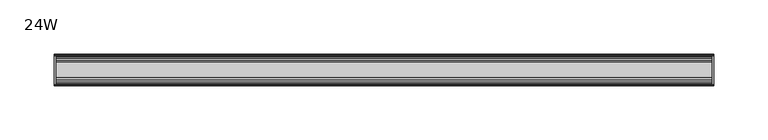
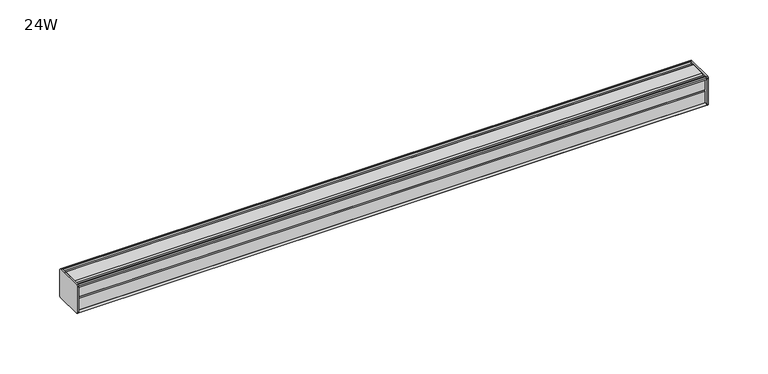
"""IFC4 building model written with IfcOpenShell, lengths in millimetres: furniture geometry, 24W."""

from ifc_helpers import new_model, si_unit, frame, origin, place, context, project, spatial, circle_curve, source, transform, mapped, element, save
from ifc_brep_helpers import plane_surface, cylinder_surface, advanced_brep


def furniture_24w_4f007022(model_context):
    return source(origin(), model_context, "Body", "AdvancedBrep", [
        advanced_brep(
        [(303.2125, 14.5851562, 1196.1436262), (303.2125, 14.5851562, 1169.9932877), (303.2125, 14.4138595, 1169.1873997), (303.2125, 13.8374434, 1168.6109837), (303.2125, 12.9019306, 1168.3603131), (303.2125, -13.4067434, 1168.3603131), (303.2125, -14.3040014, 1169.2575711), (303.2125, -14.5851563, 1170.0259798), (303.2125, -14.5851563, 1195.9443327), (303.2125, -14.3040014, 1196.7127414), (303.2125, -13.4464303, 1197.5703125), (303.2125, 13.0500437, 1197.5703125), (303.2125, 13.8374434, 1197.3593288), (303.2125, 14.4138595, 1196.7829128), (304.8, 14.6248431, 1195.9955131), (304.8, 14.4138595, 1196.7829128), (304.8, 13.8374434, 1197.3593288), (304.8, 13.0500437, 1197.5703125), (304.8, -13.4464303, 1197.5703125), (304.8, -14.3040014, 1196.7127414), (304.8, -14.5851563, 1195.9443327), (304.8, -14.5851563, 1170.0259798), (304.8, -14.3040014, 1169.2575711), (304.8, -13.4067434, 1168.3603131), (304.8, 12.9019306, 1168.3603131), (304.8, 13.8374434, 1168.6109837), (304.8, 14.4138595, 1169.1873997), (304.8, 14.5851562, 1169.9932877)],
        [
            (0, 1),
            (1, 2),
            (2, 3),
            (3, 4),
            (4, 5),
            (5, 6),
            (6, 7, circle_curve(frame((303.2125, -13.3945313, 1170.0259798), z_axis=(-1.0, 0.0, 0.0), x_axis=(0.0, 1.0, 0.0)), 1.190625)),
            (7, 8),
            (8, 9, circle_curve(frame((303.2125, -13.3945313, 1195.9443327), z_axis=(-1.0, 0.0, 0.0), x_axis=(0.0, 1.0, 0.0)), 1.190625)),
            (9, 10),
            (10, 11),
            (11, 12),
            (12, 13),
            (13, 0),
            (14, 15),
            (15, 16),
            (16, 17),
            (17, 18),
            (18, 19),
            (19, 20, circle_curve(frame((304.8, -13.3945313, 1195.9443327), z_axis=(1.0, 0.0, 0.0), x_axis=(0.0, 1.0, 0.0)), 1.190625)),
            (20, 21),
            (21, 22, circle_curve(frame((304.8, -13.3945313, 1170.0259798), z_axis=(1.0, 0.0, 0.0), x_axis=(0.0, 1.0, 0.0)), 1.190625)),
            (22, 23),
            (23, 24),
            (24, 25),
            (25, 26),
            (26, 27),
            (27, 14),
            (13, 15),
            (14, 0),
            (12, 16),
            (11, 17),
            (10, 18),
            (9, 19),
            (8, 20),
            (7, 21),
            (6, 22),
            (5, 23),
            (4, 24),
            (3, 25),
            (2, 26),
            (1, 27),
        ],
        [
            plane_surface(frame((303.2125, 14.5851562, 1169.9932877), z_axis=(-1.0, 0.0, 0.0), x_axis=(0.0, 0.0, -1.0))),
            plane_surface(frame((304.8, 14.5851562, 1169.9932877), z_axis=(1.0, 0.0, 0.0), x_axis=(0.0, 0.0, 1.0))),
            plane_surface(frame((303.2125, 14.4138595, 1196.7829128), z_axis=(0.0, 0.9659256560349851, 0.25881968049857335), x_axis=(1.0, 0.0, 0.0))),
            plane_surface(frame((303.2125, 13.8374434, 1197.3593288), z_axis=(0.0, 0.7071067811866345, 0.7071067811864606), x_axis=(1.0, 0.0, 0.0))),
            plane_surface(frame((303.2125, 13.0500437, 1197.5703125), z_axis=(0.0, 0.2588196804711877, 0.9659256560423232), x_axis=(1.0, 0.0, 0.0))),
            plane_surface(frame((303.2125, -13.4464303, 1197.5703125), z_axis=(0.0, 0.0, 1.0), x_axis=(1.0, 0.0, 0.0))),
            plane_surface(frame((303.2125, -14.3040014, 1196.7127414), z_axis=(0.0, -0.70710678117674, 0.7071067811963553), x_axis=(1.0, 0.0, 0.0))),
            cylinder_surface(frame((304.8, -13.3945313, 1195.9443327), z_axis=(-1.0, 0.0, 0.0), x_axis=(0.0, 1.0, 0.0)), 1.190625),
            plane_surface(frame((303.2125, -14.5851563, 1170.0259798), z_axis=(0.0, -1.0, 0.0), x_axis=(1.0, 0.0, 0.0))),
            cylinder_surface(frame((304.8, -13.3945313, 1170.0259798), z_axis=(-1.0, 0.0, 0.0), x_axis=(0.0, 1.0, 0.0)), 1.190625),
            plane_surface(frame((303.2125, -13.4067434, 1168.3603131), z_axis=(0.0, -0.7071067811917087, -0.7071067811813864), x_axis=(1.0, 0.0, 0.0))),
            plane_surface(frame((303.2125, 12.9019306, 1168.3603131), z_axis=(0.0, 0.0, -1.0), x_axis=(1.0, 0.0, 0.0))),
            plane_surface(frame((303.2125, 13.8374434, 1168.6109837), z_axis=(0.0, 0.2588196804985645, -0.9659256560349875), x_axis=(1.0, 0.0, 0.0))),
            plane_surface(frame((303.2125, 14.4138595, 1169.1873997), z_axis=(0.0, 0.7071067811865204, -0.7071067811865748), x_axis=(1.0, 0.0, 0.0))),
            plane_surface(frame((303.2125, 14.5851562, 1169.9932877), z_axis=(0.0, 0.9781476007310527, -0.207911690830711), x_axis=(1.0, 0.0, 0.0))),
            plane_surface(frame((303.2125, 14.5851562, 1196.1436262), z_axis=(0.0, 1.0, 0.0), x_axis=(1.0, 0.0, 0.0))),
        ],
        [
            (0, [[1, 2, 3, 4, 5, 6, 7, 8, 9, 10, 11, 12, 13, 14]]),
            (1, [[15, 16, 17, 18, 19, 20, 21, 22, 23, 24, 25, 26, 27, 28]]),
            (2, [[-14, 29, -15, 30]]),
            (3, [[-13, 31, -16, -29]]),
            (4, [[-12, 32, -17, -31]]),
            (5, [[-11, 33, -18, -32]]),
            (6, [[-10, 34, -19, -33]]),
            (7, [[-9, 35, -20, -34]]),
            (8, [[-8, 36, -21, -35]]),
            (9, [[-7, 37, -22, -36]]),
            (10, [[-6, 38, -23, -37]]),
            (11, [[-5, 39, -24, -38]]),
            (12, [[-4, 40, -25, -39]]),
            (13, [[-3, 41, -26, -40]]),
            (14, [[-2, 42, -27, -41]]),
            (15, [[-1, -30, -28, -42]]),
        ],
    ),
        advanced_brep(
        [(-303.2125, 14.6248431, 1195.9955131), (-303.2125, 14.4138595, 1196.7829128), (-303.2125, 13.8374434, 1197.3593288), (-303.2125, 13.0500437, 1197.5703125), (-303.2125, -13.4464303, 1197.5703125), (-303.2125, -14.3040014, 1196.7127414), (-303.2125, -14.5851563, 1195.9443327), (-303.2125, -14.5851563, 1170.0259798), (-303.2125, -14.3040014, 1169.2575711), (-303.2125, -13.4067434, 1168.3603131), (-303.2125, 12.9019306, 1168.3603131), (-303.2125, 13.8374434, 1168.6109837), (-303.2125, 14.4138595, 1169.1873997), (-303.2125, 14.5851562, 1169.9932877), (-304.8, 14.5851562, 1196.1436262), (-304.8, 14.5851562, 1169.9932877), (-304.8, 14.4138595, 1169.1873997), (-304.8, 13.8374434, 1168.6109837), (-304.8, 12.9019306, 1168.3603131), (-304.8, -13.4067434, 1168.3603131), (-304.8, -14.3040014, 1169.2575711), (-304.8, -14.5851563, 1170.0259798), (-304.8, -14.5851563, 1195.9443327), (-304.8, -14.3040014, 1196.7127414), (-304.8, -13.4464303, 1197.5703125), (-304.8, 13.0500437, 1197.5703125), (-304.8, 13.8374434, 1197.3593288), (-304.8, 14.4138595, 1196.7829128)],
        [
            (0, 1),
            (1, 2),
            (2, 3),
            (3, 4),
            (4, 5),
            (5, 6, circle_curve(frame((-303.2125, -13.3945313, 1195.9443327), z_axis=(1.0, 0.0, 0.0), x_axis=(0.0, 1.0, 0.0)), 1.190625)),
            (6, 7),
            (7, 8, circle_curve(frame((-303.2125, -13.3945313, 1170.0259798), z_axis=(1.0, 0.0, 0.0), x_axis=(0.0, 1.0, 0.0)), 1.190625)),
            (8, 9),
            (9, 10),
            (10, 11),
            (11, 12),
            (12, 13),
            (13, 0),
            (14, 15),
            (15, 16),
            (16, 17),
            (17, 18),
            (18, 19),
            (19, 20),
            (20, 21, circle_curve(frame((-304.8, -13.3945313, 1170.0259798), z_axis=(-1.0, 0.0, 0.0), x_axis=(0.0, 1.0, 0.0)), 1.190625)),
            (21, 22),
            (22, 23, circle_curve(frame((-304.8, -13.3945313, 1195.9443327), z_axis=(-1.0, 0.0, 0.0), x_axis=(0.0, 1.0, 0.0)), 1.190625)),
            (23, 24),
            (24, 25),
            (25, 26),
            (26, 27),
            (27, 14),
            (0, 14),
            (27, 1),
            (26, 2),
            (25, 3),
            (24, 4),
            (23, 5),
            (22, 6),
            (21, 7),
            (20, 8),
            (19, 9),
            (18, 10),
            (17, 11),
            (16, 12),
            (15, 13),
        ],
        [
            plane_surface(frame((-303.2125, 14.6248431, 1195.9955131), z_axis=(1.0000000000000002, 0.0, 0.0), x_axis=(0.0, -0.25881968043900594, 0.9659256560509463))),
            plane_surface(frame((-304.8, 14.6248431, 1195.9955131), z_axis=(-1.0000000000000002, 0.0, 0.0), x_axis=(0.0, 0.25881968043900594, -0.9659256560509463))),
            plane_surface(frame((-303.2125, 14.6248431, 1195.9955131), z_axis=(0.0, 0.9659256560509463, 0.25881968043900594), x_axis=(-1.0, 0.0, 0.0))),
            plane_surface(frame((-303.2125, 14.4138595, 1196.7829128), z_axis=(0.0, 0.7071067810675442, 0.7071067813055509), x_axis=(-1.0, 0.0, 0.0))),
            plane_surface(frame((-303.2125, 13.8374434, 1197.3593288), z_axis=(0.0, 0.25881968048355775, 0.9659256560390086), x_axis=(-1.0, 0.0, 0.0))),
            plane_surface(frame((-303.2125, 13.0500437, 1197.5703125), z_axis=(0.0, 0.0, 1.0), x_axis=(-1.0, 0.0, 0.0))),
            plane_surface(frame((-303.2125, -13.4464303, 1197.5703125), z_axis=(0.0, -0.7071067811880228, 0.7071067811850722), x_axis=(-1.0, 0.0, 0.0))),
            cylinder_surface(frame((-304.8, -13.3945313, 1195.9443327), z_axis=(1.0, 0.0, 0.0), x_axis=(0.0, 1.0, 0.0)), 1.190625),
            plane_surface(frame((-303.2125, -14.5851563, 1195.9443327), z_axis=(0.0, -1.0, 0.0), x_axis=(-1.0, 0.0, 0.0))),
            cylinder_surface(frame((-304.8, -13.3945313, 1170.0259798), z_axis=(1.0, 0.0, 0.0), x_axis=(0.0, 1.0, 0.0)), 1.190625),
            plane_surface(frame((-303.2125, -14.3040014, 1169.2575711), z_axis=(0.0, -0.7071067811864808, -0.7071067811866142), x_axis=(-1.0, 0.0, 0.0))),
            plane_surface(frame((-303.2125, -13.4067434, 1168.3603131), z_axis=(0.0, 0.0, -1.0), x_axis=(-1.0, 0.0, 0.0))),
            plane_surface(frame((-303.2125, 12.9019306, 1168.3603131), z_axis=(0.0, 0.25881968049856513, -0.9659256560349874), x_axis=(-1.0, 0.0, 0.0))),
            plane_surface(frame((-303.2125, 13.8374434, 1168.6109837), z_axis=(0.0, 0.707106781186519, -0.7071067811865761), x_axis=(-1.0, 0.0, 0.0))),
            plane_surface(frame((-303.2125, 14.4138595, 1169.1873997), z_axis=(0.0, 0.9781476007314348, -0.20791169082891317), x_axis=(-1.0, 0.0, 0.0))),
            plane_surface(frame((-303.2125, 14.5851562, 1169.9932877), z_axis=(0.0, 1.0, 0.0), x_axis=(-1.0, 0.0, 0.0))),
        ],
        [
            (0, [[1, 2, 3, 4, 5, 6, 7, 8, 9, 10, 11, 12, 13, 14]]),
            (1, [[15, 16, 17, 18, 19, 20, 21, 22, 23, 24, 25, 26, 27, 28]]),
            (2, [[-1, 29, -28, 30]]),
            (3, [[-2, -30, -27, 31]]),
            (4, [[-3, -31, -26, 32]]),
            (5, [[-4, -32, -25, 33]]),
            (6, [[-5, -33, -24, 34]]),
            (7, [[-6, -34, -23, 35]]),
            (8, [[-7, -35, -22, 36]]),
            (9, [[-8, -36, -21, 37]]),
            (10, [[-9, -37, -20, 38]]),
            (11, [[-10, -38, -19, 39]]),
            (12, [[-11, -39, -18, 40]]),
            (13, [[-12, -40, -17, 41]]),
            (14, [[-13, -41, -16, 42]]),
            (15, [[-14, -42, -15, -29]]),
        ],
    ),
        advanced_brep(
        [(303.2125, -7.3748315, 1197.5703125), (303.2125, -8.9105708, 1196.5395796), (303.2125, -10.7601399, 1196.5395796), (303.2125, -12.2958792, 1197.5703125), (303.2125, -13.4464303, 1197.5703125), (303.2125, -14.3040014, 1196.7127414), (303.2125, -13.3945313, 1194.7537077), (303.2125, -13.3945313, 1195.665312), (303.2125, -12.2039063, 1195.665312), (303.2125, -12.2039063, 1183.7590632), (303.2125, -11.4101564, 1182.9653134), (303.2125, -12.2039063, 1182.1715636), (303.2125, -12.2039063, 1170.2653131), (303.2125, -13.3945313, 1170.2653131), (303.2125, -13.3945313, 1171.2166048), (303.2125, -14.3040014, 1169.2575711), (303.2125, -13.4067434, 1168.3603131), (303.2125, -12.2958792, 1168.3603131), (303.2125, -10.7601399, 1169.3910471), (303.2125, -8.9105708, 1169.3910471), (303.2125, -7.4339628, 1168.4), (303.2125, 7.4145184, 1168.4), (303.2125, 8.9502576, 1169.4307329), (303.2125, 10.7998291, 1169.4307329), (303.2125, 12.2275037, 1168.4), (303.2125, 13.0500437, 1168.4), (303.2125, 13.8374434, 1168.6109837), (303.2125, 14.4138595, 1169.1873997), (303.2125, 14.5851562, 1169.9932877), (303.2125, 14.5851562, 1196.1436262), (303.2125, 14.4138595, 1196.7829128), (303.2125, 13.8374434, 1197.3593288), (303.2125, 13.0500437, 1197.5703125), (303.2125, 12.2275037, 1197.5703125), (303.2125, 10.7998291, 1196.5395796), (303.2125, 8.9502576, 1196.5395796), (303.2125, 7.4145184, 1197.5703125), (-303.2125, -7.3748315, 1197.5703125), (-303.2125, 7.4145184, 1197.5703125), (-303.2125, 8.9502576, 1196.5395796), (-303.2125, 10.7998291, 1196.5395796), (-303.2125, 12.2275037, 1197.5703125), (-303.2125, 13.0500437, 1197.5703125), (-303.2125, 13.8374434, 1197.3593288), (-303.2125, 14.4138595, 1196.7829128), (-303.2125, 14.6248431, 1195.9955131), (-303.2125, 14.5851562, 1169.9932877), (-303.2125, 14.4138595, 1169.1873997), (-303.2125, 13.8374434, 1168.6109837), (-303.2125, 13.0500437, 1168.4), (-303.2125, 12.2275037, 1168.4), (-303.2125, 10.7998291, 1169.4307329), (-303.2125, 8.9502576, 1169.4307329), (-303.2125, 7.4145184, 1168.4), (-303.2125, -7.4339628, 1168.4), (-303.2125, -8.9105708, 1169.3910471), (-303.2125, -10.7601399, 1169.3910471), (-303.2125, -12.2958792, 1168.3603131), (-303.2125, -13.4067434, 1168.3603131), (-303.2125, -14.3040014, 1169.2575711), (-303.2125, -13.3945313, 1171.2166048), (-303.2125, -13.3945313, 1170.2653131), (-303.2125, -12.2039063, 1170.2653131), (-303.2125, -12.2039063, 1182.1715636), (-303.2125, -11.4101564, 1182.9653134), (-303.2125, -12.2039063, 1183.7590632), (-303.2125, -12.2039063, 1195.665312), (-303.2125, -13.3945313, 1195.665312), (-303.2125, -13.3945313, 1194.7537077), (-303.2125, -14.3040014, 1196.7127414), (-303.2125, -13.4464303, 1197.5703125), (-303.2125, -12.2958792, 1197.5703125), (-303.2125, -10.7601399, 1196.5395796), (-303.2125, -8.9105708, 1196.5395796)],
        [
            (0, 1),
            (1, 2),
            (2, 3),
            (3, 4),
            (4, 5),
            (5, 6, circle_curve(frame((303.2125, -13.3945313, 1195.9443327), z_axis=(1.0, 0.0, 0.0), x_axis=(0.0, 1.0, 0.0)), 1.190625)),
            (6, 7),
            (7, 8),
            (8, 9),
            (9, 10),
            (10, 11),
            (11, 12),
            (12, 13),
            (13, 14),
            (14, 15, circle_curve(frame((303.2125, -13.3945313, 1170.0259798), z_axis=(1.0, 0.0, 0.0), x_axis=(0.0, 1.0, 0.0)), 1.190625)),
            (15, 16),
            (16, 17),
            (17, 18),
            (18, 19),
            (19, 20),
            (20, 21),
            (21, 22),
            (22, 23),
            (23, 24),
            (24, 25),
            (25, 26),
            (26, 27),
            (27, 28),
            (28, 29),
            (29, 30),
            (30, 31),
            (31, 32),
            (32, 33),
            (33, 34),
            (34, 35),
            (35, 36),
            (36, 0),
            (37, 38),
            (38, 39),
            (39, 40),
            (40, 41),
            (41, 42),
            (42, 43),
            (43, 44),
            (44, 45),
            (45, 46),
            (46, 47),
            (47, 48),
            (48, 49),
            (49, 50),
            (50, 51),
            (51, 52),
            (52, 53),
            (53, 54),
            (54, 55),
            (55, 56),
            (56, 57),
            (57, 58),
            (58, 59),
            (59, 60, circle_curve(frame((-303.2125, -13.3945313, 1170.0259798), z_axis=(-1.0, 0.0, 0.0), x_axis=(0.0, 1.0, 0.0)), 1.190625)),
            (60, 61),
            (61, 62),
            (62, 63),
            (63, 64),
            (64, 65),
            (65, 66),
            (66, 67),
            (67, 68),
            (68, 69, circle_curve(frame((-303.2125, -13.3945313, 1195.9443327), z_axis=(-1.0, 0.0, 0.0), x_axis=(0.0, 1.0, 0.0)), 1.190625)),
            (69, 70),
            (70, 71),
            (71, 72),
            (72, 73),
            (73, 37),
            (0, 37),
            (73, 1),
            (72, 2),
            (71, 3),
            (70, 4),
            (69, 5),
            (68, 6),
            (67, 7),
            (66, 8),
            (65, 9),
            (64, 10),
            (63, 11),
            (62, 12),
            (61, 13),
            (60, 14),
            (59, 15),
            (58, 16),
            (57, 17),
            (56, 18),
            (55, 19),
            (54, 20),
            (53, 21),
            (52, 22),
            (51, 23),
            (50, 24),
            (49, 25),
            (48, 26),
            (47, 27),
            (46, 28),
            (45, 29),
            (44, 30),
            (43, 31),
            (42, 32),
            (41, 33),
            (40, 34),
            (39, 35),
            (38, 36),
        ],
        [
            plane_surface(frame((303.2125, -7.3748315, 1197.5703125), z_axis=(1.0, 0.0, 0.0), x_axis=(0.0, -0.8303227972604666, -0.5572827400427488))),
            plane_surface(frame((-303.2125, -7.3748315, 1197.5703125), z_axis=(-1.0, 0.0, 0.0), x_axis=(0.0, 0.8303227972604666, 0.5572827400427488))),
            plane_surface(frame((303.2125, -7.3748315, 1197.5703125), z_axis=(0.0, -0.5572827400427488, 0.8303227972604666), x_axis=(-1.0, 0.0, 0.0))),
            plane_surface(frame((303.2125, -8.9105708, 1196.5395796), z_axis=(0.0, 0.0, 1.0), x_axis=(-1.0, 0.0, 0.0))),
            plane_surface(frame((303.2125, -10.7601399, 1196.5395796), z_axis=(0.0, 0.5572827400427491, 0.8303227972604665), x_axis=(-1.0, 0.0, 0.0))),
            plane_surface(frame((303.2125, -12.2958792, 1197.5703125), z_axis=(0.0, 0.0, 1.0), x_axis=(-1.0, 0.0, 0.0))),
            plane_surface(frame((303.2125, -13.4464303, 1197.5703125), z_axis=(0.0, -0.7071067811810978, 0.7071067811919972), x_axis=(-1.0, 0.0, 0.0))),
            cylinder_surface(frame((-303.2125, -13.3945313, 1195.9443327), z_axis=(1.0, 0.0, 0.0), x_axis=(0.0, 1.0, 0.0)), 1.190625),
            plane_surface(frame((303.2125, -13.3945313, 1194.7537077), z_axis=(0.0, 1.0, 0.0), x_axis=(-1.0, 0.0, 0.0))),
            plane_surface(frame((303.2125, -13.3945313, 1195.665312), z_axis=(0.0, 0.0, -1.0), x_axis=(-1.0, 0.0, 0.0))),
            plane_surface(frame((303.2125, -12.2039063, 1195.665312), z_axis=(0.0, -1.0, 0.0), x_axis=(-1.0, 0.0, 0.0))),
            plane_surface(frame((303.2125, -12.2039063, 1183.7590632), z_axis=(0.0, -0.7071067811865155, -0.7071067811865795), x_axis=(-1.0, 0.0, 0.0))),
            plane_surface(frame((303.2125, -11.4101564, 1182.9653134), z_axis=(0.0, -0.7071067811865522, 0.7071067811865428), x_axis=(-1.0, 0.0, 0.0))),
            plane_surface(frame((303.2125, -12.2039063, 1182.1715636), z_axis=(0.0, -1.0, 0.0), x_axis=(-1.0, 0.0, 0.0))),
            plane_surface(frame((303.2125, -12.2039063, 1170.2653131), z_axis=(0.0, 0.0, 1.0), x_axis=(-1.0, 0.0, 0.0))),
            plane_surface(frame((303.2125, -13.3945313, 1170.2653131), z_axis=(0.0, 1.0, 0.0), x_axis=(-1.0, 0.0, 0.0))),
            cylinder_surface(frame((-303.2125, -13.3945313, 1170.0259798), z_axis=(1.0, 0.0, 0.0), x_axis=(0.0, 1.0, 0.0)), 1.190625),
            plane_surface(frame((303.2125, -14.3040014, 1169.2575711), z_axis=(0.0, -0.7071067811865892, -0.7071067811865058), x_axis=(-1.0, 0.0, 0.0))),
            plane_surface(frame((303.2125, -13.4067434, 1168.3603131), z_axis=(0.0, 0.0, -1.0), x_axis=(-1.0, 0.0, 0.0))),
            plane_surface(frame((303.2125, -12.2958792, 1168.3603131), z_axis=(0.0, 0.5572831632988446, -0.8303225131860712), x_axis=(-1.0, 0.0, 0.0))),
            plane_surface(frame((303.2125, -10.7601399, 1169.3910471), z_axis=(0.0, 0.0, -1.0), x_axis=(-1.0, 0.0, 0.0))),
            plane_surface(frame((303.2125, -8.9105708, 1169.3910471), z_axis=(0.0, -0.5572831633038827, -0.8303225131826898), x_axis=(-1.0, 0.0, 0.0))),
            plane_surface(frame((303.2125, -7.4339628, 1168.4), z_axis=(0.0, 0.0, -1.0), x_axis=(-1.0, 0.0, 0.0))),
            plane_surface(frame((303.2125, 7.4145184, 1168.4), z_axis=(0.0, 0.5572827400524372, -0.8303227972539643), x_axis=(-1.0, 0.0, 0.0))),
            plane_surface(frame((303.2125, 8.9502576, 1169.4307329), z_axis=(0.0, 0.0, -1.0), x_axis=(-1.0, 0.0, 0.0))),
            plane_surface(frame((303.2125, 10.7998291, 1169.4307329), z_axis=(0.0, -0.5853541342124147, -0.8107777362264177), x_axis=(-1.0, 0.0, 0.0))),
            plane_surface(frame((303.2125, 12.2275037, 1168.4), z_axis=(0.0, 0.0, -1.0), x_axis=(-1.0, 0.0, 0.0))),
            plane_surface(frame((303.2125, 13.0500437, 1168.4), z_axis=(0.0, 0.2588196804985639, -0.9659256560349877), x_axis=(-1.0, 0.0, 0.0))),
            plane_surface(frame((303.2125, 13.8374434, 1168.6109837), z_axis=(0.0, 0.7071067811865592, -0.7071067811865358), x_axis=(-1.0, 0.0, 0.0))),
            plane_surface(frame((303.2125, 14.4138595, 1169.1873997), z_axis=(0.0, 0.9781476007314349, -0.20791169082891267), x_axis=(-1.0, 0.0, 0.0))),
            plane_surface(frame((303.2125, 14.5851562, 1169.9932877), z_axis=(0.0, 1.0, 0.0), x_axis=(-1.0, 0.0, 0.0))),
            plane_surface(frame((303.2125, 14.6248431, 1195.9955131), z_axis=(0.0, 0.9659256560510352, 0.2588196804386741), x_axis=(-1.0, 0.0, 0.0))),
            plane_surface(frame((303.2125, 14.4138595, 1196.7829128), z_axis=(0.0, 0.7071067810667451, 0.70710678130635), x_axis=(-1.0, 0.0, 0.0))),
            plane_surface(frame((303.2125, 13.8374434, 1197.3593288), z_axis=(0.0, 0.25881968048369114, 0.9659256560389728), x_axis=(-1.0, 0.0, 0.0))),
            plane_surface(frame((303.2125, 13.0500437, 1197.5703125), z_axis=(0.0, 0.0, 1.0), x_axis=(-1.0, 0.0, 0.0))),
            plane_surface(frame((303.2125, 12.2275037, 1197.5703125), z_axis=(0.0, -0.5853541342075637, 0.8107777362299199), x_axis=(-1.0, 0.0, 0.0))),
            plane_surface(frame((303.2125, 10.7998291, 1196.5395796), z_axis=(0.0, 0.0, 1.0), x_axis=(-1.0, 0.0, 0.0))),
            plane_surface(frame((303.2125, 8.9502576, 1196.5395796), z_axis=(0.0, 0.5572827400427491, 0.8303227972604665), x_axis=(-1.0, 0.0, 0.0))),
            plane_surface(frame((303.2125, 7.4145184, 1197.5703125), z_axis=(0.0, 0.0, 1.0), x_axis=(-1.0, 0.0, 0.0))),
        ],
        [
            (0, [[1, 2, 3, 4, 5, 6, 7, 8, 9, 10, 11, 12, 13, 14, 15, 16, 17, 18, 19, 20, 21, 22, 23, 24, 25, 26, 27, 28, 29, 30, 31, 32, 33, 34, 35, 36, 37]]),
            (1, [[38, 39, 40, 41, 42, 43, 44, 45, 46, 47, 48, 49, 50, 51, 52, 53, 54, 55, 56, 57, 58, 59, 60, 61, 62, 63, 64, 65, 66, 67, 68, 69, 70, 71, 72, 73, 74]]),
            (2, [[-1, 75, -74, 76]]),
            (3, [[-2, -76, -73, 77]]),
            (4, [[-3, -77, -72, 78]]),
            (5, [[-4, -78, -71, 79]]),
            (6, [[-5, -79, -70, 80]]),
            (7, [[-6, -80, -69, 81]]),
            (8, [[-7, -81, -68, 82]]),
            (9, [[-8, -82, -67, 83]]),
            (10, [[-9, -83, -66, 84]]),
            (11, [[-10, -84, -65, 85]]),
            (12, [[-11, -85, -64, 86]]),
            (13, [[-12, -86, -63, 87]]),
            (14, [[-13, -87, -62, 88]]),
            (15, [[-14, -88, -61, 89]]),
            (16, [[-15, -89, -60, 90]]),
            (17, [[-16, -90, -59, 91]]),
            (18, [[-17, -91, -58, 92]]),
            (19, [[-18, -92, -57, 93]]),
            (20, [[-19, -93, -56, 94]]),
            (21, [[-20, -94, -55, 95]]),
            (22, [[-21, -95, -54, 96]]),
            (23, [[-22, -96, -53, 97]]),
            (24, [[-23, -97, -52, 98]]),
            (25, [[-24, -98, -51, 99]]),
            (26, [[-25, -99, -50, 100]]),
            (27, [[-26, -100, -49, 101]]),
            (28, [[-27, -101, -48, 102]]),
            (29, [[-28, -102, -47, 103]]),
            (30, [[-29, -103, -46, 104]]),
            (31, [[-30, -104, -45, 105]]),
            (32, [[-31, -105, -44, 106]]),
            (33, [[-32, -106, -43, 107]]),
            (34, [[-33, -107, -42, 108]]),
            (35, [[-34, -108, -41, 109]]),
            (36, [[-35, -109, -40, 110]]),
            (37, [[-36, -110, -39, 111]]),
            (38, [[-37, -111, -38, -75]]),
        ],
    ),
    ])


if __name__ == "__main__":
    model = new_model("IFC4")
    model_context = context("Model", 3, world=origin())
    ifc_project = project(units=[si_unit("LENGTHUNIT", "METRE", prefix="MILLI")], contexts=[model_context])
    site = spatial("IfcSite", under=ifc_project)
    building = spatial("IfcBuilding", under=site)
    placement = place(None, origin())
    furniture_24w_shape = furniture_24w_4f007022(model_context)
    element("IfcFurniture", 1, ObjectType="24W", at=placement, inside=building, context=model_context, shape_type="MappedRepresentation", body=[
        mapped(furniture_24w_shape, transform((0.0, 0.0, 0.0), x_axis=(1.0, 0.0, 0.0), y_axis=(0.0, 1.0, 0.0), z_axis=(0.0, 0.0, 1.0))),
    ])
    save(model, "model.ifc")
